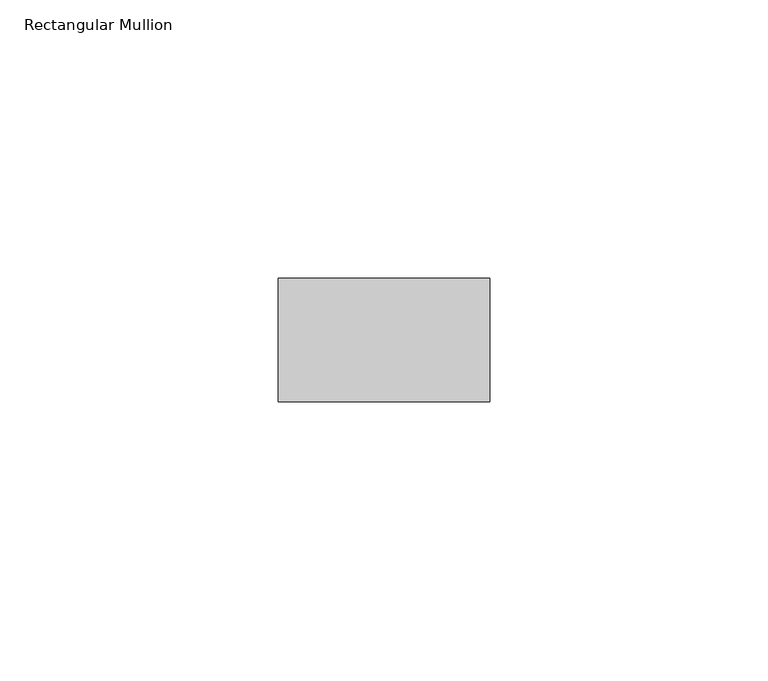
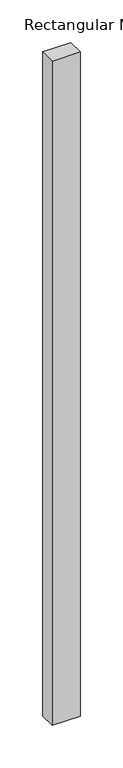
"""IFC4 building model written with IfcOpenShell, lengths in millimetres: member geometry, Rectangular Mullion."""

from ifc_helpers import new_model, si_unit, frame, origin, place, context, project, spatial, polyline, outline, extrude, source, transform, mapped, element, save


def rectangular_mullion_8a797a62(model_context):
    return source(origin(), model_context, "Body", "SweptSolid", [
        extrude(outline(polyline([(-38.1, -11.1125), (-38.1, 11.1125), (0.0, 11.1125), (0.0, -11.1125), (-38.1, -11.1125)])), frame((0.0, 0.0, -952.5), z_axis=(0.0, 0.0, 1.0), x_axis=(1.0, 0.0, 0.0)), (0.0, 0.0, 1.0), 952.5),
    ])


if __name__ == "__main__":
    model = new_model("IFC4")
    model_context = context("Model", 3, world=origin())
    ifc_project = project(units=[si_unit("LENGTHUNIT", "METRE", prefix="MILLI")], contexts=[model_context])
    site = spatial("IfcSite", under=ifc_project)
    building = spatial("IfcBuilding", under=site)
    placement = place(None, origin())
    rectangular_mullion_shape = rectangular_mullion_8a797a62(model_context)
    element("IfcMember", 1, ObjectType="Rectangular Mullion", at=placement, inside=building, context=model_context, shape_type="MappedRepresentation", body=[
        mapped(rectangular_mullion_shape, transform((0.0, 0.0, 0.0), x_axis=(1.0, 0.0, 0.0), y_axis=(0.0, 1.0, 0.0), z_axis=(0.0, 0.0, 1.0))),
    ])
    save(model, "model.ifc")
